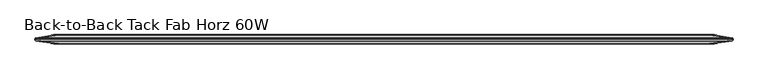
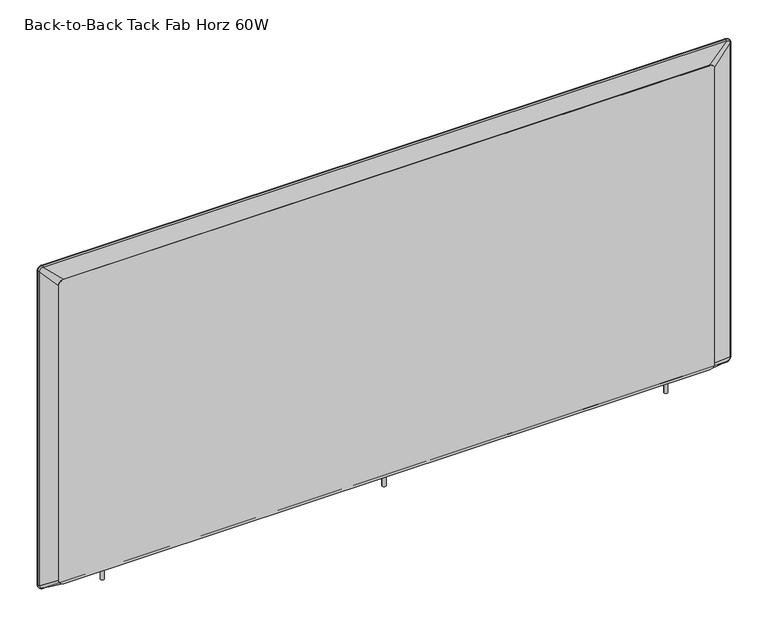
"""IFC4 building model written with IfcOpenShell, lengths in millimetres: furniture geometry, Back-to-Back Tack Fab Horz 60W."""

from ifc_helpers import new_model, si_unit, point, frame, frame_2d, origin, place, context, project, spatial, polyline, circle_curve, ellipse_curve, trimmed, segment, composite_curve, outline, extrude, source, transform, mapped, element, save
from ifc_brep_helpers import plane_surface, cylinder_surface, revolved_surface, spline_surface, advanced_brep


def back_to_back_tack_fab_horz_60w_63d2bbfd(model_context):
    return source(origin(), model_context, "Body", "SolidModel", [
        extrude(outline(composite_curve([segment(trimmed(circle_curve(frame_2d((1326.1467835, 0.0)), 3.9480194), [point((1322.198764, 0.0))], [point((1330.0948029, 0.0))], False, "CARTESIAN"), True, "CONTINUOUS"), segment(trimmed(circle_curve(frame_2d((1326.1467835, 0.0)), 3.9480194), [point((1330.0948029, 0.0))], [point((1322.198764, 0.0))], False, "CARTESIAN"), True, "CONTINUOUS")], self_intersect=False)), frame((0.0, 0.0, 433.506301), z_axis=(0.0, 0.0, 1.0), x_axis=(1.0, 0.0, 0.0)), (0.0, 0.0, 1.0), 26.3144),
        extrude(outline(composite_curve([segment(trimmed(circle_curve(frame_2d((747.7659776, 0.0)), 3.9480194), [point((743.8179581, 0.0))], [point((751.713997, 0.0))], False, "CARTESIAN"), True, "CONTINUOUS"), segment(trimmed(circle_curve(frame_2d((747.7659776, 0.0)), 3.9480194), [point((751.713997, 0.0))], [point((743.8179581, 0.0))], False, "CARTESIAN"), True, "CONTINUOUS")], self_intersect=False)), frame((0.0, 0.0, 433.506301), z_axis=(0.0, 0.0, 1.0), x_axis=(1.0, 0.0, 0.0)), (0.0, 0.0, 1.0), 26.3144),
        extrude(outline(composite_curve([segment(trimmed(circle_curve(frame_2d((169.3851717, 0.0)), 3.9480194), [point((165.4371522, 0.0))], [point((173.3331911, 0.0))], False, "CARTESIAN"), True, "CONTINUOUS"), segment(trimmed(circle_curve(frame_2d((169.3851717, 0.0)), 3.9480194), [point((173.3331911, 0.0))], [point((165.4371522, 0.0))], False, "CARTESIAN"), True, "CONTINUOUS")], self_intersect=False)), frame((0.0, 0.0, 433.506301), z_axis=(0.0, 0.0, 1.0), x_axis=(1.0, 0.0, 0.0)), (0.0, 0.0, 1.0), 26.3144),
        advanced_brep(
        [(1457.0090309, 2.921, 1146.9713365), (1449.4144309, 2.921, 1154.5659365), (1449.4144309, 0.2571112, 1156.4454977), (1458.8885921, 0.2571112, 1146.9713365), (1457.0090309, -2.921, 1146.9713365), (1449.4144309, -2.921, 1154.5659365), (1458.888589, -0.2571103, 1146.9713365), (1449.4144309, -0.2571103, 1156.4454945), (1457.928657, 0.0, 1146.9713365), (1449.4144309, 0.0, 1155.4855626), (1458.8885921, 0.2571112, 465.8627397), (1457.0090309, 2.921, 465.8627397), (1457.0090309, -2.921, 465.8627397), (1458.888589, -0.2571103, 465.8627397), (1457.928657, 0.0, 465.8627397), (1449.4144309, 2.921, 458.2681397), (1449.4144309, 0.2571112, 456.3885785), (1449.4144309, -2.921, 458.2681397), (1449.4144309, -0.2571103, 456.3885817), (1449.4144309, 0.0, 457.3485136), (46.1260508, 0.2571112, 456.3885785), (46.1260508, 2.921, 458.2681397), (46.1260508, -2.921, 458.2681397), (46.1260508, -0.2571103, 456.3885817), (46.1260508, 0.0, 457.3485136), (38.5314508, 2.921, 465.8627397), (36.6518895, 0.2571112, 465.8627397), (38.5314508, -2.921, 465.8627397), (36.6518927, -0.2571103, 465.8627397), (37.6118247, 0.0, 465.8627397), (36.6518895, 0.2571112, 1146.9713365), (38.5314508, 2.921, 1146.9713365), (38.5314508, -2.921, 1146.9713365), (36.6518927, -0.2571103, 1146.9713365), (37.6118247, 0.0, 1146.9713365), (46.1260508, 2.921, 1154.5659365), (46.1260508, 0.2571112, 1156.4454977), (46.1260508, -2.921, 1154.5659365), (46.1260508, -0.2571103, 1156.4454945), (46.1260508, 0.0, 1155.4855626)],
        [
            (0, 1, circle_curve(frame((1449.4144309, 2.921, 1146.9713365), z_axis=(0.0, -1.0, 0.0), x_axis=(0.0, 0.0, 1.0)), 7.5946)),
            (1, 2, circle_curve(frame((1449.4144309, 0.5506493, 1154.0339913), z_axis=(1.0, 0.0, 0.0), x_axis=(0.0, 0.0, 1.0)), 2.4293061)),
            (2, 3, circle_curve(frame((1449.4144309, 0.2571112, 1146.9713365), z_axis=(0.0, 1.0, 0.0), x_axis=(0.0, 0.0, 1.0)), 9.4741612)),
            (3, 0, circle_curve(frame((1456.4770857, 0.5506493, 1146.9713365), z_axis=(0.0, 0.0, 1.0), x_axis=(1.0, 0.0, 0.0)), 2.4293061)),
            (4, 5, circle_curve(frame((1449.4144309, -2.921, 1146.9713365), z_axis=(0.0, -1.0, 0.0), x_axis=(0.0, 0.0, 1.0)), 7.5946)),
            (5, 1),
            (0, 4),
            (6, 7, circle_curve(frame((1449.4144309, -0.2571103, 1146.9713365), z_axis=(0.0, -1.0, 0.0), x_axis=(0.0, 0.0, 1.0)), 9.4741581)),
            (7, 5, circle_curve(frame((1449.4144309, -0.5535248, 1154.0380627), z_axis=(1.0, 0.0, 0.0), x_axis=(0.0, 0.0, 1.0)), 2.4256111)),
            (4, 6, circle_curve(frame((1456.4811572, -0.5535248, 1146.9713365), z_axis=(0.0, 0.0, 1.0), x_axis=(1.0, 0.0, 0.0)), 2.4256111)),
            (8, 9, circle_curve(frame((1449.4144309, 0.0, 1146.9713365), z_axis=(0.0, -1.0, 0.0), x_axis=(0.0, 0.0, 1.0)), 8.5142261)),
            (9, 7),
            (6, 8),
            (2, 9),
            (8, 3),
            (3, 10),
            (10, 11, circle_curve(frame((1456.4770857, 0.5506493, 465.8627397), z_axis=(0.0, 0.0, 1.0), x_axis=(1.0, 0.0, 0.0)), 2.4293061)),
            (11, 0),
            (11, 12),
            (12, 4),
            (12, 13, circle_curve(frame((1456.4811572, -0.5535248, 465.8627397), z_axis=(0.0, 0.0, 1.0), x_axis=(1.0, 0.0, 0.0)), 2.4256111)),
            (13, 6),
            (13, 14),
            (14, 8),
            (14, 10),
            (15, 11, circle_curve(frame((1449.4144309, 2.921, 465.8627397), z_axis=(0.0, -1.0, 0.0), x_axis=(1.0, 0.0, 0.0)), 7.5946)),
            (10, 16, circle_curve(frame((1449.4144309, 0.2571112, 465.8627397), z_axis=(0.0, 1.0, 0.0), x_axis=(1.0, 0.0, 0.0)), 9.4741612)),
            (16, 15, circle_curve(frame((1449.4144309, 0.5506493, 458.8000849), z_axis=(1.0, 0.0, 0.0), x_axis=(0.0, 0.0, -1.0)), 2.4293061)),
            (17, 12, circle_curve(frame((1449.4144309, -2.921, 465.8627397), z_axis=(0.0, -1.0, 0.0), x_axis=(1.0, 0.0, 0.0)), 7.5946)),
            (15, 17),
            (18, 13, circle_curve(frame((1449.4144309, -0.2571103, 465.8627397), z_axis=(0.0, -1.0, 0.0), x_axis=(1.0, 0.0, 0.0)), 9.4741581)),
            (17, 18, circle_curve(frame((1449.4144309, -0.5535248, 458.7960135), z_axis=(1.0, 0.0, 0.0), x_axis=(0.0, 0.0, -1.0)), 2.4256111)),
            (19, 14, circle_curve(frame((1449.4144309, 0.0, 465.8627397), z_axis=(0.0, -1.0, 0.0), x_axis=(1.0, 0.0, 0.0)), 8.5142261)),
            (18, 19),
            (19, 16),
            (16, 20),
            (20, 21, circle_curve(frame((46.1260508, 0.5506493, 458.8000849), z_axis=(1.0, 0.0, 0.0), x_axis=(0.0, 0.0, -1.0)), 2.4293061)),
            (21, 15),
            (21, 22),
            (22, 17),
            (22, 23, circle_curve(frame((46.1260508, -0.5535248, 458.7960135), z_axis=(1.0, 0.0, 0.0), x_axis=(0.0, 0.0, -1.0)), 2.4256111)),
            (23, 18),
            (23, 24),
            (24, 19),
            (24, 20),
            (25, 21, circle_curve(frame((46.1260508, 2.921, 465.8627397), z_axis=(0.0, -1.0, 0.0), x_axis=(0.0, 0.0, -1.0)), 7.5946)),
            (20, 26, circle_curve(frame((46.1260508, 0.2571112, 465.8627397), z_axis=(0.0, 1.0, 0.0), x_axis=(0.0, 0.0, -1.0)), 9.4741612)),
            (26, 25, circle_curve(frame((39.063396, 0.5506493, 465.8627397), z_axis=(0.0, 0.0, -1.0), x_axis=(-1.0, 0.0, 0.0)), 2.4293061)),
            (27, 22, circle_curve(frame((46.1260508, -2.921, 465.8627397), z_axis=(0.0, -1.0, 0.0), x_axis=(0.0, 0.0, -1.0)), 7.5946)),
            (25, 27),
            (28, 23, circle_curve(frame((46.1260508, -0.2571103, 465.8627397), z_axis=(0.0, -1.0, 0.0), x_axis=(0.0, 0.0, -1.0)), 9.4741581)),
            (27, 28, circle_curve(frame((39.0593245, -0.5535248, 465.8627397), z_axis=(0.0, 0.0, -1.0), x_axis=(-1.0, 0.0, 0.0)), 2.4256111)),
            (29, 24, circle_curve(frame((46.1260508, 0.0, 465.8627397), z_axis=(0.0, -1.0, 0.0), x_axis=(0.0, 0.0, -1.0)), 8.5142261)),
            (28, 29),
            (29, 26),
            (26, 30),
            (30, 31, circle_curve(frame((39.063396, 0.5506493, 1146.9713365), z_axis=(0.0, 0.0, -1.0), x_axis=(-1.0, 0.0, 0.0)), 2.4293061)),
            (31, 25),
            (31, 32),
            (32, 27),
            (32, 33, circle_curve(frame((39.0593245, -0.5535248, 1146.9713365), z_axis=(0.0, 0.0, -1.0), x_axis=(-1.0, 0.0, 0.0)), 2.4256111)),
            (33, 28),
            (33, 34),
            (34, 29),
            (34, 30),
            (35, 31, circle_curve(frame((46.1260508, 2.921, 1146.9713365), z_axis=(0.0, -1.0, 0.0), x_axis=(-1.0, 0.0, 0.0)), 7.5946)),
            (30, 36, circle_curve(frame((46.1260508, 0.2571112, 1146.9713365), z_axis=(0.0, 1.0, 0.0), x_axis=(-1.0, 0.0, 0.0)), 9.4741612)),
            (36, 35, circle_curve(frame((46.1260508, 0.5506493, 1154.0339913), z_axis=(-1.0, 0.0, 0.0), x_axis=(0.0, 0.0, 1.0)), 2.4293061)),
            (37, 32, circle_curve(frame((46.1260508, -2.921, 1146.9713365), z_axis=(0.0, -1.0, 0.0), x_axis=(-1.0, 0.0, 0.0)), 7.5946)),
            (35, 37),
            (38, 33, circle_curve(frame((46.1260508, -0.2571103, 1146.9713365), z_axis=(0.0, -1.0, 0.0), x_axis=(-1.0, 0.0, 0.0)), 9.4741581)),
            (37, 38, circle_curve(frame((46.1260508, -0.5535248, 1154.0380627), z_axis=(-1.0, 0.0, 0.0), x_axis=(0.0, 0.0, 1.0)), 2.4256111)),
            (39, 34, circle_curve(frame((46.1260508, 0.0, 1146.9713365), z_axis=(0.0, -1.0, 0.0), x_axis=(-1.0, 0.0, 0.0)), 8.5142261)),
            (38, 39),
            (39, 36),
            (36, 2),
            (1, 35),
            (5, 37),
            (7, 38),
            (9, 39),
        ],
        [
            revolved_surface(trimmed(ellipse_curve(frame((1449.4144309, 0.5506493, 1154.0339913), z_axis=(-1.0, 0.0, 0.0), x_axis=(0.0, 0.0, 1.0)), 2.4293061, 2.4293061), [point((1449.4144309, 0.2571112, 1156.4454977))], [point((1449.4144309, 2.921, 1154.5659365))], True, "CARTESIAN"), (1449.4144309, 0.0, 1146.9713365), (0.0, 1.0, 0.0)),
            revolved_surface(polyline([(1449.4144309, 2.921, 1154.5659365), (1449.4144309, -2.921, 1154.5659365)]), (1449.4144309, 0.0, 1146.9713365), (0.0, 1.0, 0.0)),
            revolved_surface(trimmed(ellipse_curve(frame((1449.4144309, -0.5535248, 1154.0380627), z_axis=(-1.0, 0.0, 0.0), x_axis=(0.0, 0.0, 1.0)), 2.4256111, 2.4256111), [point((1449.4144309, -2.921, 1154.5659365))], [point((1449.4144309, -0.2571103, 1156.4454945))], True, "CARTESIAN"), (1449.4144309, 0.0, 1146.9713365), (0.0, 1.0, 0.0)),
            revolved_surface(polyline([(1449.4144309, -0.2571103, 1156.4454945), (1449.4144309, 0.0, 1155.4855626)]), (1449.4144309, 0.0, 1146.9713365), (0.0, 1.0, 0.0)),
            revolved_surface(polyline([(1449.4144309, 0.0, 1155.4855626), (1449.4144309, 0.2571112, 1156.4454977)]), (1449.4144309, 0.0, 1146.9713365), (0.0, 1.0, 0.0)),
            cylinder_surface(frame((1456.4770857, 0.5506493, 1146.9713365), z_axis=(0.0, 0.0, 1.0), x_axis=(1.0, 0.0, 0.0)), 2.4293061),
            plane_surface(frame((1457.0090309, 2.921, 1146.9713365), z_axis=(-1.0, 0.0, 0.0), x_axis=(0.0, 0.0, -1.0))),
            cylinder_surface(frame((1456.4811572, -0.5535248, 1146.9713365), z_axis=(0.0, 0.0, 1.0), x_axis=(1.0, 0.0, 0.0)), 2.4256111),
            plane_surface(frame((1458.888589, -0.2571103, 1146.9713365), z_axis=(0.25872264988959004, 0.9659516501534167, 0.0), x_axis=(0.0, 0.0, -1.0))),
            plane_surface(frame((1457.928657, 0.0, 1146.9713365), z_axis=(0.2587226498896766, -0.9659516501533936, 0.0), x_axis=(0.0, 0.0, -1.0))),
            revolved_surface(trimmed(ellipse_curve(frame((1456.4770857, 0.5506493, 465.8627397), z_axis=(0.0, 0.0, 1.0), x_axis=(1.0, 0.0, 0.0)), 2.4293061, 2.4293061), [point((1458.8885921, 0.2571112, 465.8627397))], [point((1457.0090309, 2.921, 465.8627397))], True, "CARTESIAN"), (1449.4144309, 0.0, 465.8627397), (0.0, 1.0, 0.0)),
            revolved_surface(polyline([(1457.0090309, 2.921, 465.8627397), (1457.0090309, -2.921, 465.8627397)]), (1449.4144309, 0.0, 465.8627397), (0.0, 1.0, 0.0)),
            revolved_surface(trimmed(ellipse_curve(frame((1456.4811572, -0.5535248, 465.8627397), z_axis=(0.0, 0.0, 1.0), x_axis=(1.0, 0.0, 0.0)), 2.4256111, 2.4256111), [point((1457.0090309, -2.921, 465.8627397))], [point((1458.888589, -0.2571103, 465.8627397))], True, "CARTESIAN"), (1449.4144309, 0.0, 465.8627397), (0.0, 1.0, 0.0)),
            revolved_surface(polyline([(1458.888589, -0.2571103, 465.8627397), (1457.928657, 0.0, 465.8627397)]), (1449.4144309, 0.0, 465.8627397), (0.0, 1.0, 0.0)),
            revolved_surface(polyline([(1457.928657, 0.0, 465.8627397), (1458.8885921, 0.2571112, 465.8627397)]), (1449.4144309, 0.0, 465.8627397), (0.0, 1.0, 0.0)),
            cylinder_surface(frame((1449.4144309, 0.5506493, 458.8000849), z_axis=(1.0, 0.0, 0.0), x_axis=(0.0, 0.0, -1.0)), 2.4293061),
            plane_surface(frame((1449.4144309, 2.921, 458.2681397), z_axis=(0.0, 0.0, 1.0), x_axis=(-1.0, 0.0, 0.0))),
            cylinder_surface(frame((1449.4144309, -0.5535248, 458.7960135), z_axis=(1.0, 0.0, 0.0), x_axis=(0.0, 0.0, -1.0)), 2.4256111),
            plane_surface(frame((1449.4144309, -0.2571103, 456.3885817), z_axis=(0.0, 0.9659516501534294, -0.25872264988954236), x_axis=(-1.0, 0.0, 0.0))),
            plane_surface(frame((1449.4144309, 0.0, 457.3485136), z_axis=(0.0, -0.9659516501533808, -0.25872264988972427), x_axis=(-1.0, 0.0, 0.0))),
            revolved_surface(trimmed(ellipse_curve(frame((46.1260508, 0.5506493, 458.8000849), z_axis=(1.0, 0.0, 0.0), x_axis=(0.0, 0.0, -1.0)), 2.4293061, 2.4293061), [point((46.1260508, 0.2571112, 456.3885785))], [point((46.1260508, 2.921, 458.2681397))], True, "CARTESIAN"), (46.1260508, 0.0, 465.8627397), (0.0, 1.0, 0.0)),
            revolved_surface(polyline([(46.1260508, 2.921, 458.2681397), (46.1260508, -2.921, 458.2681397)]), (46.1260508, 0.0, 465.8627397), (0.0, 1.0, 0.0)),
            revolved_surface(trimmed(ellipse_curve(frame((46.1260508, -0.5535248, 458.7960135), z_axis=(1.0, 0.0, 0.0), x_axis=(0.0, 0.0, -1.0)), 2.4256111, 2.4256111), [point((46.1260508, -2.921, 458.2681397))], [point((46.1260508, -0.2571103, 456.3885817))], True, "CARTESIAN"), (46.1260508, 0.0, 465.8627397), (0.0, 1.0, 0.0)),
            revolved_surface(polyline([(46.1260508, -0.2571103, 456.3885817), (46.1260508, 0.0, 457.3485136)]), (46.1260508, 0.0, 465.8627397), (0.0, 1.0, 0.0)),
            revolved_surface(polyline([(46.1260508, 0.0, 457.3485136), (46.1260508, 0.2571112, 456.3885785)]), (46.1260508, 0.0, 465.8627397), (0.0, 1.0, 0.0)),
            cylinder_surface(frame((39.063396, 0.5506493, 465.8627397), z_axis=(0.0, 0.0, -1.0), x_axis=(-1.0, 0.0, 0.0)), 2.4293061),
            plane_surface(frame((38.5314508, 2.921, 465.8627397), z_axis=(1.0, 0.0, 0.0), x_axis=(0.0, 0.0, 1.0))),
            cylinder_surface(frame((39.0593245, -0.5535248, 465.8627397), z_axis=(0.0, 0.0, -1.0), x_axis=(-1.0, 0.0, 0.0)), 2.4256111),
            plane_surface(frame((36.6518927, -0.2571103, 465.8627397), z_axis=(-0.25872264988959004, 0.9659516501534167, 0.0), x_axis=(0.0, 0.0, 1.0))),
            plane_surface(frame((37.6118247, 0.0, 465.8627397), z_axis=(-0.2587226498896766, -0.9659516501533936, 0.0), x_axis=(0.0, 0.0, 1.0))),
            revolved_surface(trimmed(ellipse_curve(frame((39.063396, 0.5506493, 1146.9713365), z_axis=(0.0, 0.0, -1.0), x_axis=(-1.0, 0.0, 0.0)), 2.4293061, 2.4293061), [point((36.6518895, 0.2571112, 1146.9713365))], [point((38.5314508, 2.921, 1146.9713365))], True, "CARTESIAN"), (46.1260508, 0.0, 1146.9713365), (0.0, 1.0, 0.0)),
            revolved_surface(polyline([(38.5314508, 2.921, 1146.9713365), (38.5314508, -2.921, 1146.9713365)]), (46.1260508, 0.0, 1146.9713365), (0.0, 1.0, 0.0)),
            revolved_surface(trimmed(ellipse_curve(frame((39.0593245, -0.5535248, 1146.9713365), z_axis=(0.0, 0.0, -1.0), x_axis=(-1.0, 0.0, 0.0)), 2.4256111, 2.4256111), [point((38.5314508, -2.921, 1146.9713365))], [point((36.6518927, -0.2571103, 1146.9713365))], True, "CARTESIAN"), (46.1260508, 0.0, 1146.9713365), (0.0, 1.0, 0.0)),
            revolved_surface(polyline([(36.6518927, -0.2571103, 1146.9713365), (37.6118247, 0.0, 1146.9713365)]), (46.1260508, 0.0, 1146.9713365), (0.0, 1.0, 0.0)),
            revolved_surface(polyline([(37.6118247, 0.0, 1146.9713365), (36.6518895, 0.2571112, 1146.9713365)]), (46.1260508, 0.0, 1146.9713365), (0.0, 1.0, 0.0)),
            cylinder_surface(frame((46.1260508, 0.5506493, 1154.0339913), z_axis=(-1.0, 0.0, 0.0), x_axis=(0.0, 0.0, 1.0)), 2.4293061),
            plane_surface(frame((46.1260508, 2.921, 1154.5659365), z_axis=(0.0, 0.0, -1.0), x_axis=(1.0, 0.0, 0.0))),
            cylinder_surface(frame((46.1260508, -0.5535248, 1154.0380627), z_axis=(-1.0, 0.0, 0.0), x_axis=(0.0, 0.0, 1.0)), 2.4256111),
            plane_surface(frame((46.1260508, -0.2571103, 1156.4454945), z_axis=(0.0, 0.9659516501534039, 0.2587226498896377), x_axis=(1.0, 0.0, 0.0))),
            plane_surface(frame((46.1260508, 0.0, 1155.4855626), z_axis=(0.0, -0.9659516501534063, 0.2587226498896289), x_axis=(1.0, 0.0, 0.0))),
        ],
        [
            (0, [[1, 2, 3, 4]]),
            (1, [[5, 6, -1, 7]]),
            (2, [[8, 9, -5, 10]]),
            (3, [[11, 12, -8, 13]]),
            (4, [[-3, 14, -11, 15]]),
            (5, [[-4, 16, 17, 18]]),
            (6, [[-7, -18, 19, 20]]),
            (7, [[-10, -20, 21, 22]]),
            (8, [[-13, -22, 23, 24]]),
            (9, [[-15, -24, 25, -16]]),
            (10, [[26, -17, 27, 28]]),
            (11, [[29, -19, -26, 30]]),
            (12, [[31, -21, -29, 32]]),
            (13, [[33, -23, -31, 34]]),
            (14, [[-27, -25, -33, 35]]),
            (15, [[-28, 36, 37, 38]]),
            (16, [[-30, -38, 39, 40]]),
            (17, [[-32, -40, 41, 42]]),
            (18, [[-34, -42, 43, 44]]),
            (19, [[-35, -44, 45, -36]]),
            (20, [[46, -37, 47, 48]]),
            (21, [[49, -39, -46, 50]]),
            (22, [[51, -41, -49, 52]]),
            (23, [[53, -43, -51, 54]]),
            (24, [[-47, -45, -53, 55]]),
            (25, [[-48, 56, 57, 58]]),
            (26, [[-50, -58, 59, 60]]),
            (27, [[-52, -60, 61, 62]]),
            (28, [[-54, -62, 63, 64]]),
            (29, [[-55, -64, 65, -56]]),
            (30, [[66, -57, 67, 68]]),
            (31, [[69, -59, -66, 70]]),
            (32, [[71, -61, -69, 72]]),
            (33, [[73, -63, -71, 74]]),
            (34, [[-67, -65, -73, 75]]),
            (35, [[-68, 76, -2, 77]]),
            (36, [[-70, -77, -6, 78]]),
            (37, [[-72, -78, -9, 79]]),
            (38, [[-74, -79, -12, 80]]),
            (39, [[-75, -80, -14, -76]]),
        ],
    ),
        advanced_brep(
        [(1449.4144309, 2.921, 1154.5659365), (46.1260508, 2.921, 1154.5659365), (38.5314508, 2.921, 1146.9713365), (38.5314508, 2.921, 465.8627397), (46.1260508, 2.921, 458.2681397), (1449.4144309, 2.921, 458.2681397), (1457.0090309, 2.921, 465.8627397), (1457.0090309, 2.921, 1146.9713365), (1410.5594964, 8.6106, 1118.273457), (1420.6940964, 8.6106, 1108.138857), (1420.6940964, 8.6106, 468.4027397), (1410.5594964, 8.6106, 458.2681397), (84.9809717, 8.6106, 458.2681397), (74.8463717, 8.6106, 468.4027397), (74.8463717, 8.6106, 1108.138857), (84.9809717, 8.6106, 1118.273457)],
        [
            (0, 1),
            (1, 2, circle_curve(frame((46.1260508, 2.921, 1146.9713365), z_axis=(0.0, -1.0, 0.0), x_axis=(1.0, 0.0, 0.0)), 7.5946)),
            (2, 3),
            (3, 4, circle_curve(frame((46.1260508, 2.921, 465.8627397), z_axis=(0.0, -1.0, 0.0), x_axis=(1.0, 0.0, 0.0)), 7.5946)),
            (4, 5),
            (5, 6, circle_curve(frame((1449.4144309, 2.921, 465.8627397), z_axis=(0.0, -1.0, 0.0), x_axis=(1.0, 0.0, 0.0)), 7.5946)),
            (6, 7),
            (7, 0, circle_curve(frame((1449.4144309, 2.921, 1146.9713365), z_axis=(0.0, -1.0, 0.0), x_axis=(1.0, 0.0, 0.0)), 7.5946)),
            (8, 9, circle_curve(frame((1410.5594964, 8.6106, 1108.138857), z_axis=(0.0, 1.0, 0.0), x_axis=(1.0, 0.0, 0.0)), 10.1346)),
            (9, 10),
            (10, 11, circle_curve(frame((1410.5594964, 8.6106, 468.4027397), z_axis=(0.0, 1.0, 0.0), x_axis=(1.0, 0.0, 0.0)), 10.1346)),
            (11, 12),
            (12, 13, circle_curve(frame((84.9809717, 8.6106, 468.4027397), z_axis=(0.0, 1.0, 0.0), x_axis=(1.0, 0.0, 0.0)), 10.1346)),
            (13, 14),
            (14, 15, circle_curve(frame((84.9809717, 8.6106, 1108.138857), z_axis=(0.0, 1.0, 0.0), x_axis=(1.0, 0.0, 0.0)), 10.1346)),
            (15, 8),
            (15, 1),
            (0, 8),
            (14, 2),
            (13, 3),
            (12, 4),
            (11, 5),
            (10, 6),
            (9, 7),
        ],
        [
            plane_surface(frame((747.7702408, 2.921, 806.4170381), z_axis=(0.0, -1.0, 0.0), x_axis=(-1.0, 0.0, 0.0))),
            plane_surface(frame((747.770234, 8.6106, 788.2707983), z_axis=(0.0, 1.0, 0.0), x_axis=(-1.0, 0.0, 0.0))),
            plane_surface(frame((747.770234, 8.6106, 1118.273457), z_axis=(0.0, 0.9879334333175563, 0.1548790861717152), x_axis=(-1.0, 0.0, 0.0))),
            spline_surface(2, 1, [[(84.9809717, 8.6106, 1118.273457), (46.1260508, 2.921, 1154.5659365)], [(74.8463716999999, 8.6106, 1118.273457), (38.5314508000001, 2.921, 1154.5659365)], [(74.8463717, 8.6106, 1108.138857), (38.5314508, 2.921, 1146.9713365)]], [3, 3], [2, 2], [0.0, 1.0], [0.0, 1.0], weights=[[1.0, 1.0], [0.707106781186544, 0.707106781186544], [1.0, 1.0]]),
            plane_surface(frame((74.8463717, 8.6106, 788.2707983), z_axis=(-0.15478566987978773, 0.9879480737366035, 0.0), x_axis=(0.0, 0.0, -1.0))),
            spline_surface(2, 1, [[(74.8463717, 8.6106, 468.4027397), (38.5314508, 2.921, 465.8627397)], [(74.84637169999999, 8.6106, 458.2681397), (38.531450799999995, 2.921, 458.2681397)], [(84.9809717, 8.6106, 458.2681397), (46.1260508, 2.921, 458.2681397)]], [3, 3], [2, 2], [0.0, 1.0], [0.0, 1.0], weights=[[1.0, 1.0], [0.707106781186547, 0.707106781186547], [1.0, 1.0]]),
            plane_surface(frame((747.770234, 8.6106, 458.2681397), z_axis=(0.0, 4.047952449427929e-11, -1.0), x_axis=(1.0, 0.0, 0.0))),
            spline_surface(2, 1, [[(1410.5594964, 8.6106, 458.2681397), (1449.4144309, 2.921, 458.2681397)], [(1420.6940964, 8.6106, 458.2681397000001), (1457.0090309000002, 2.921, 458.26813970000006)], [(1420.6940964, 8.6106, 468.4027397), (1457.0090309, 2.921, 465.8627397)]], [3, 3], [2, 2], [0.0, 1.0], [0.0, 1.0], weights=[[1.0, 1.0], [0.7071067811865515, 0.7071067811865515], [1.0, 1.0]]),
            plane_surface(frame((1420.6940964, 8.6106, 788.2707983), z_axis=(0.15478561319545406, 0.9879480826175571, 0.0), x_axis=(0.0, 0.0, 1.0))),
            spline_surface(2, 1, [[(1420.6940964, 8.6106, 1108.138857), (1457.0090309, 2.921, 1146.9713365)], [(1420.6940964, 8.6106, 1118.273457), (1457.0090309, 2.921, 1154.5659365)], [(1410.5594964, 8.6106, 1118.273457), (1449.4144309, 2.921, 1154.5659365)]], [3, 3], [2, 2], [0.0, 1.0], [0.0, 1.0], weights=[[1.0, 1.0], [0.7071067811865476, 0.7071067811865476], [1.0, 1.0]]),
        ],
        [
            (0, [[1, 2, 3, 4, 5, 6, 7, 8]]),
            (1, [[9, 10, 11, 12, 13, 14, 15, 16]]),
            (2, [[-16, 17, -1, 18]]),
            (3, [[-15, 19, -2, -17]]),
            (4, [[-14, 20, -3, -19]]),
            (5, [[-13, 21, -4, -20]]),
            (6, [[-12, 22, -5, -21]]),
            (7, [[-11, 23, -6, -22]]),
            (8, [[-10, 24, -7, -23]]),
            (9, [[-9, -18, -8, -24]]),
        ],
    ),
        advanced_brep(
        [(1449.4144309, -2.921, 1154.5659365), (1457.0090309, -2.921, 1146.9713365), (1457.0090309, -2.921, 465.8627397), (1449.4144309, -2.921, 458.2681397), (46.1260508, -2.921, 458.2681397), (38.5314508, -2.921, 465.8627397), (38.5314508, -2.921, 1146.9713365), (46.1260508, -2.921, 1154.5659365), (1410.5594964, -8.6106, 1118.273457), (84.9809717, -8.6106, 1118.273457), (74.8463717, -8.6106, 1108.138857), (74.8463717, -8.6106, 468.4027397), (84.9809717, -8.6106, 458.2681397), (1410.5594964, -8.6106, 458.2681397), (1420.6940964, -8.6106, 468.4027397), (1420.6940964, -8.6106, 1108.138857)],
        [
            (0, 1, circle_curve(frame((1449.4144309, -2.921, 1146.9713365), z_axis=(0.0, 1.0, 0.0), x_axis=(1.0, 0.0, 0.0)), 7.5946)),
            (1, 2),
            (2, 3, circle_curve(frame((1449.4144309, -2.921, 465.8627397), z_axis=(0.0, 1.0, 0.0), x_axis=(1.0, 0.0, 0.0)), 7.5946)),
            (3, 4),
            (4, 5, circle_curve(frame((46.1260508, -2.921, 465.8627397), z_axis=(0.0, 1.0, 0.0), x_axis=(1.0, 0.0, 0.0)), 7.5946)),
            (5, 6),
            (6, 7, circle_curve(frame((46.1260508, -2.921, 1146.9713365), z_axis=(0.0, 1.0, 0.0), x_axis=(1.0, 0.0, 0.0)), 7.5946)),
            (7, 0),
            (8, 9),
            (9, 10, circle_curve(frame((84.9809717, -8.6106, 1108.138857), z_axis=(0.0, -1.0, 0.0), x_axis=(1.0, 0.0, 0.0)), 10.1346)),
            (10, 11),
            (11, 12, circle_curve(frame((84.9809717, -8.6106, 468.4027397), z_axis=(0.0, -1.0, 0.0), x_axis=(1.0, 0.0, 0.0)), 10.1346)),
            (12, 13),
            (13, 14, circle_curve(frame((1410.5594964, -8.6106, 468.4027397), z_axis=(0.0, -1.0, 0.0), x_axis=(1.0, 0.0, 0.0)), 10.1346)),
            (14, 15),
            (15, 8, circle_curve(frame((1410.5594964, -8.6106, 1108.138857), z_axis=(0.0, -1.0, 0.0), x_axis=(1.0, 0.0, 0.0)), 10.1346)),
            (8, 0),
            (7, 9),
            (6, 10),
            (5, 11),
            (4, 12),
            (3, 13),
            (2, 14),
            (1, 15),
        ],
        [
            plane_surface(frame((747.7702408, -2.921, 806.4170381), z_axis=(0.0, 1.0, 0.0), x_axis=(1.0, 0.0, 0.0))),
            plane_surface(frame((747.770234, -8.6106, 788.2707983), z_axis=(0.0, -1.0, 0.0), x_axis=(1.0, 0.0, 0.0))),
            plane_surface(frame((747.770234, -8.6106, 1118.273457), z_axis=(0.0, -0.98793343331785, 0.15487908616984167), x_axis=(1.0, 0.0, 0.0))),
            spline_surface(2, 1, [[(74.8463717, -8.6106, 1108.138857), (38.5314508, -2.921, 1146.9713365)], [(74.8463717000001, -8.6106, 1118.273457), (38.53145080000007, -2.921, 1154.5659365)], [(84.9809717, -8.6106, 1118.273457), (46.1260508, -2.921, 1154.5659365)]], [3, 3], [2, 2], [0.0, 1.0], [0.0, 1.0], weights=[[1.0, 1.0], [0.707106781186551, 0.707106781186551], [1.0, 1.0]]),
            plane_surface(frame((74.8463717, -8.6106, 788.2707983), z_axis=(-0.1547856698797874, -0.9879480737366035, 0.0), x_axis=(0.0, 0.0, 1.0))),
            spline_surface(2, 1, [[(84.9809717, -8.6106, 458.2681397), (46.1260508, -2.921, 458.2681397)], [(74.84637170000002, -8.6106, 458.2681397), (38.53145079999999, -2.921, 458.2681397)], [(74.8463717, -8.6106, 468.4027397), (38.5314508, -2.921, 465.8627397)]], [3, 3], [2, 2], [0.0, 1.0], [0.0, 1.0], weights=[[1.0, 1.0], [0.7071067811865481, 0.7071067811865481], [1.0, 1.0]]),
            plane_surface(frame((747.770234, -8.6106, 458.2681397), z_axis=(0.0, 0.0, -1.0), x_axis=(-1.0, 0.0, 0.0))),
            spline_surface(2, 1, [[(1420.6940964, -8.6106, 468.4027397), (1457.0090309, -2.921, 465.8627397)], [(1420.6940964000003, -8.6106, 458.2681396999999), (1457.0090309, -2.921, 458.2681397000001)], [(1410.5594964, -8.6106, 458.2681397), (1449.4144309, -2.921, 458.2681397)]], [3, 3], [2, 2], [0.0, 1.0], [0.0, 1.0], weights=[[1.0, 1.0], [0.7071067811865436, 0.7071067811865436], [1.0, 1.0]]),
            plane_surface(frame((1420.6940964, -8.6106, 788.2707983), z_axis=(0.15478561319369036, -0.9879480826178334, 0.0), x_axis=(0.0, 0.0, -1.0))),
            spline_surface(2, 1, [[(1410.5594964, -8.6106, 1118.273457), (1449.4144309, -2.921, 1154.5659365)], [(1420.6940964, -8.6106, 1118.273457), (1457.0090309, -2.921, 1154.5659365)], [(1420.6940964, -8.6106, 1108.138857), (1457.0090309, -2.921, 1146.9713365)]], [3, 3], [2, 2], [0.0, 1.0], [0.0, 1.0], weights=[[1.0, 1.0], [0.7071067811865476, 0.7071067811865476], [1.0, 1.0]]),
        ],
        [
            (0, [[1, 2, 3, 4, 5, 6, 7, 8]]),
            (1, [[9, 10, 11, 12, 13, 14, 15, 16]]),
            (2, [[-9, 17, -8, 18]]),
            (3, [[-10, -18, -7, 19]]),
            (4, [[-11, -19, -6, 20]]),
            (5, [[-12, -20, -5, 21]]),
            (6, [[-13, -21, -4, 22]]),
            (7, [[-14, -22, -3, 23]]),
            (8, [[-15, -23, -2, 24]]),
            (9, [[-16, -24, -1, -17]]),
        ],
    ),
        extrude(outline(composite_curve([segment(polyline([(1118.273457, 1410.5594964), (1118.273457, 84.9809717)]), True, "CONTINUOUS"), segment(trimmed(circle_curve(frame_2d((1108.138857, 84.9809717)), 10.1346), [point((1118.273457, 84.9809717))], [point((1108.138857, 74.8463717))], False, "CARTESIAN"), True, "CONTINUOUS"), segment(polyline([(1108.138857, 74.8463717), (468.4027397, 74.8463717)]), True, "CONTINUOUS"), segment(trimmed(circle_curve(frame_2d((468.4027397, 84.9809717)), 10.1346), [point((468.4027397, 74.8463717))], [point((458.2681397, 84.9809717))], False, "CARTESIAN"), True, "CONTINUOUS"), segment(polyline([(458.2681397, 84.9809717), (458.2681397, 1410.5594964)]), True, "CONTINUOUS"), segment(trimmed(circle_curve(frame_2d((468.4027397, 1410.5594964)), 10.1346), [point((458.2681397, 1410.5594964))], [point((468.4027397, 1420.6940964))], False, "CARTESIAN"), True, "CONTINUOUS"), segment(polyline([(468.4027397, 1420.6940964), (1108.138857, 1420.6940964)]), True, "CONTINUOUS"), segment(trimmed(circle_curve(frame_2d((1108.138857, 1410.5594964)), 10.1346), [point((1108.138857, 1420.6940964))], [point((1118.273457, 1410.5594964))], False, "CARTESIAN"), True, "CONTINUOUS")], self_intersect=False)), frame((0.0, -9.525, 0.0), z_axis=(0.0, 1.0, 0.0), x_axis=(0.0, 0.0, 1.0)), (0.0, 0.0, 1.0), 19.05),
    ])


if __name__ == "__main__":
    model = new_model("IFC4")
    model_context = context("Model", 3, world=origin())
    ifc_project = project(units=[si_unit("LENGTHUNIT", "METRE", prefix="MILLI")], contexts=[model_context])
    site = spatial("IfcSite", under=ifc_project)
    building = spatial("IfcBuilding", under=site)
    placement = place(None, origin())
    back_to_back_tack_fab_horz_60w_shape = back_to_back_tack_fab_horz_60w_63d2bbfd(model_context)
    element("IfcFurniture", 1, ObjectType="Back-to-Back Tack Fab Horz 60W", at=placement, inside=building, context=model_context, shape_type="MappedRepresentation", body=[
        mapped(back_to_back_tack_fab_horz_60w_shape, transform((0.0, 0.0, 0.0), x_axis=(1.0, 0.0, 0.0), y_axis=(0.0, 1.0, 0.0), z_axis=(0.0, 0.0, 1.0))),
    ])
    save(model, "model.ifc")
